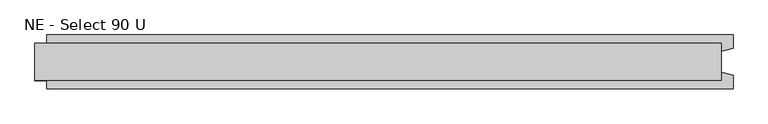
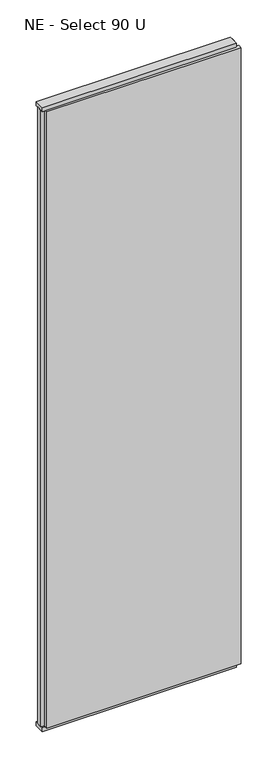
"""IFC4 building model written with IfcOpenShell, lengths in millimetres: plate geometry, NE - Select 90 U."""

from ifc_helpers import new_model, si_unit, frame, origin, origin_with_axes, place, context, project, spatial, polyline, outline, extrude, source, transform, mapped, element, save


def ne_select_90_u_ed3a6e82(model_context):
    return source(origin(), model_context, "Body", "SweptSolid", [
        extrude(outline(polyline([(609.0, 46.0), (609.0, 22.9993165), (589.0, 17.6401049), (589.0, -17.6401049), (609.0, -22.9993165), (609.0, -46.0), (-569.0, -46.0), (-569.0, -22.9993165), (-589.0, -17.6401049), (-589.0, 17.6401049), (-569.0, 22.9993165), (-569.0, 46.0), (609.0, 46.0)])), frame((0.0, 0.0, 25.0), z_axis=(0.0, 0.0, 1.0), x_axis=(1.0, 0.0, 0.0)), (0.0, 0.0, 1.0), 3950.0),
        extrude(outline(polyline([(589.0, 32.0), (589.0, -32.0), (-589.0, -32.0), (-589.0, 32.0), (589.0, 32.0)])), origin_with_axes(), (0.0, 0.0, 1.0), 25.0),
        extrude(outline(polyline([(589.0, 32.0), (589.0, -32.0), (-589.0, -32.0), (-589.0, 32.0), (589.0, 32.0)])), frame((0.0, 0.0, 3975.0), z_axis=(0.0, 0.0, 1.0), x_axis=(1.0, 0.0, 0.0)), (0.0, 0.0, 1.0), 25.0),
    ])


if __name__ == "__main__":
    model = new_model("IFC4")
    model_context = context("Model", 3, world=origin())
    ifc_project = project(units=[si_unit("LENGTHUNIT", "METRE", prefix="MILLI")], contexts=[model_context])
    site = spatial("IfcSite", under=ifc_project)
    building = spatial("IfcBuilding", under=site)
    placement = place(None, origin())
    ne_select_90_u_shape = ne_select_90_u_ed3a6e82(model_context)
    element("IfcPlate", 1, ObjectType="NE - Select 90 U", at=placement, inside=building, context=model_context, shape_type="MappedRepresentation", body=[
        mapped(ne_select_90_u_shape, transform((0.0, 0.0, 0.0), x_axis=(1.0, 0.0, 0.0), y_axis=(0.0, 1.0, 0.0), z_axis=(0.0, 0.0, 1.0))),
    ])
    save(model, "model.ifc")
